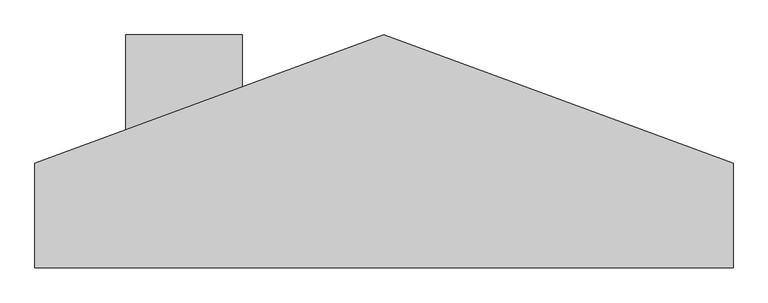
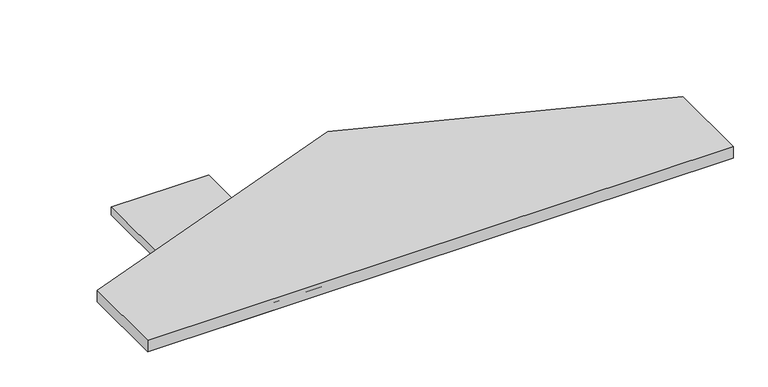
"""IFC4 building model written with IfcOpenShell, lengths in millimetres: proxy geometry."""

from ifc_helpers import new_model, si_unit, frame, origin, place, context, project, spatial, polyline, outline, extrude, source, transform, mapped, element, save


def specialty_equipment_198fe337(model_context):
    return source(origin(), model_context, "Body", "SweptSolid", [
        extrude(outline(polyline([(-390.6574658, -304.8), (-390.6574658, -31.8356155), (523.6105908, 304.8), (1438.0105908, -31.8356155), (1438.0105908, -304.8), (-390.6574658, -304.8)])), frame((0.0, 0.0, 838.2), z_axis=(0.0, 0.0, 1.0), x_axis=(1.0, 0.0, 0.0)), (0.0, 0.0, 1.0), 38.1),
        extrude(outline(polyline([(-152.4, 304.8), (152.4, 304.8), (152.4, -304.8), (-152.4, -304.8), (-152.4, 0.0), (-152.4, 304.8)])), frame((0.0, 0.0, 838.2), z_axis=(0.0, 0.0, 1.0), x_axis=(1.0, 0.0, 0.0)), (0.0, 0.0, 1.0), 25.4),
    ])


if __name__ == "__main__":
    model = new_model("IFC4")
    model_context = context("Model", 3, world=origin())
    ifc_project = project(units=[si_unit("LENGTHUNIT", "METRE", prefix="MILLI")], contexts=[model_context])
    site = spatial("IfcSite", under=ifc_project)
    building = spatial("IfcBuilding", under=site)
    placement = place(None, origin())
    specialty_equipment_shape = specialty_equipment_198fe337(model_context)
    element("IfcBuildingElementProxy", 1, Name="Specialty Equipment", at=placement, inside=building, context=model_context, shape_type="MappedRepresentation", body=[
        mapped(specialty_equipment_shape, transform((0.0, 0.0, 0.0), x_axis=(1.0, 0.0, 0.0), y_axis=(0.0, 1.0, 0.0), z_axis=(0.0, 0.0, 1.0))),
    ])
    save(model, "model.ifc")
